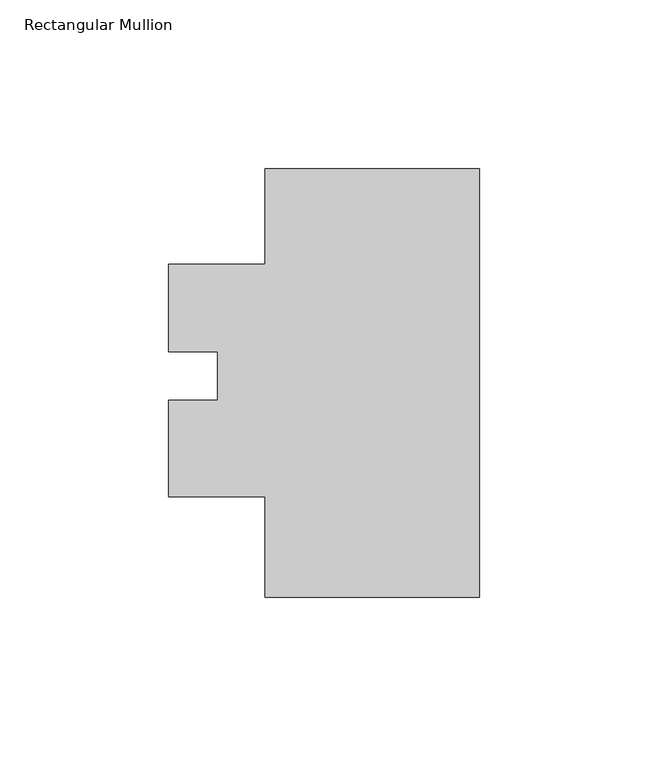
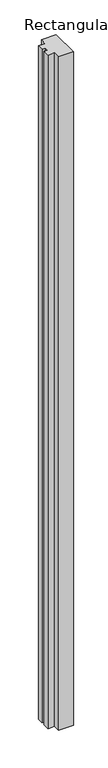
"""IFC4 building model written with IfcOpenShell, lengths in millimetres: member geometry, Rectangular Mullion."""

from ifc_helpers import new_model, si_unit, frame, origin, place, context, project, spatial, polyline, outline, extrude, source, transform, mapped, element, save


def rectangular_mullion_538365ab(model_context):
    return source(origin(), model_context, "Body", "SweptSolid", [
        extrude(outline(polyline([(-63.5, -62.4774925), (-63.5, -32.6070925), (-92.0744745, -32.6070925), (-92.0744745, -4.13162), (-77.5394672, -4.13162), (-77.5394672, 10.3062075), (-92.0744745, 10.3062075), (-92.0744745, 36.2358675), (-63.5, 36.2358675), (-63.5, 64.5225075), (0.0, 64.5225075), (0.0, -62.4774925), (-63.5, -62.4774925)])), frame((0.0, 0.0, -3048.0), z_axis=(0.0, 0.0, 1.0), x_axis=(1.0, 0.0, 0.0)), (0.0, 0.0, 1.0), 3048.0),
    ])


if __name__ == "__main__":
    model = new_model("IFC4")
    model_context = context("Model", 3, world=origin())
    ifc_project = project(units=[si_unit("LENGTHUNIT", "METRE", prefix="MILLI")], contexts=[model_context])
    site = spatial("IfcSite", under=ifc_project)
    building = spatial("IfcBuilding", under=site)
    placement = place(None, origin())
    rectangular_mullion_shape = rectangular_mullion_538365ab(model_context)
    element("IfcMember", 1, ObjectType="Rectangular Mullion", at=placement, inside=building, context=model_context, shape_type="MappedRepresentation", body=[
        mapped(rectangular_mullion_shape, transform((0.0, 0.0, 0.0), x_axis=(1.0, 0.0, 0.0), y_axis=(0.0, 1.0, 0.0), z_axis=(0.0, 0.0, 1.0))),
    ])
    save(model, "model.ifc")
